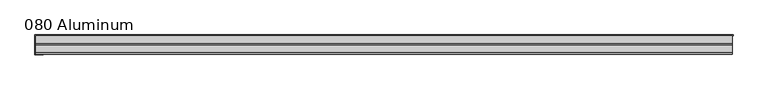
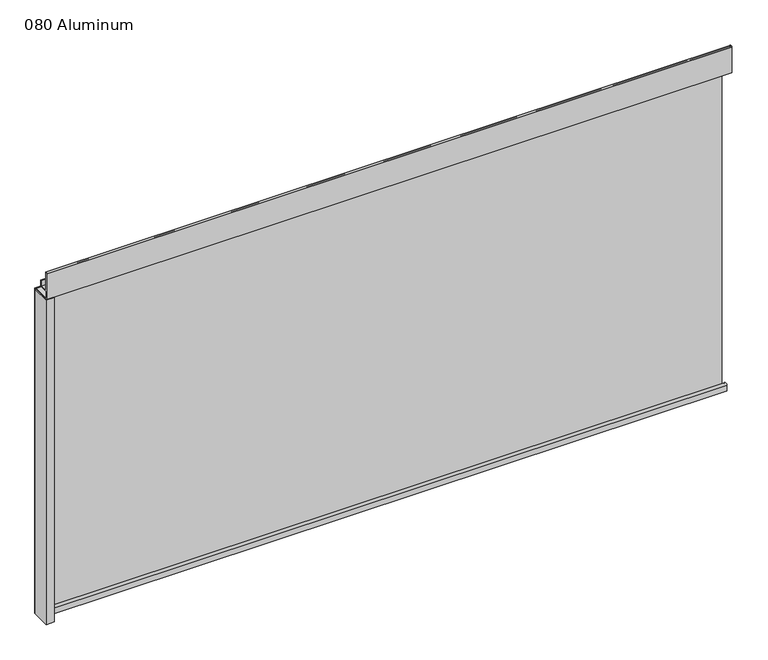
"""IFC4 building model written with IfcOpenShell, lengths in millimetres: plate geometry, 080 Aluminum."""

from ifc_helpers import new_model, si_unit, point, frame, frame_2d, origin, origin_with_axes, place, context, project, spatial, polyline, circle_curve, trimmed, segment, composite_curve, outline, extrude, source, transform, mapped, element, save


def plate_080_aluminum_0a952ecc(model_context):
    return source(origin(), model_context, "Body", "SweptSolid", [
        extrude(outline(polyline([(-607.2426921, 2.5660257), (-594.3521916, 2.5660257), (-594.3521916, 1.2699999), (-608.5126921, 1.2699999), (-608.5126921, 34.7980001), (-607.2426921, 34.7980001), (-607.2426921, 2.5660257)])), origin_with_axes(), (0.0, 0.0, 1.0), 608.33),
        extrude(outline(composite_curve([segment(trimmed(circle_curve(frame_2d((19.8514743, 13.124237)), 3.175), [point((16.6765477, 13.1458337))], [point((23.0264743, 13.124237))], False, "CARTESIAN"), True, "CONTINUOUS"), segment(polyline([(23.0264743, 13.124237), (23.0264743, 1.2693678), (34.7980002, 1.2693678), (34.7980002, 0.0), (21.7564743, 0.0), (21.7564743, 13.124237)]), True, "CONTINUOUS"), segment(trimmed(circle_curve(frame_2d((19.8514743, 13.124237)), 1.905), [point((21.7564743, 13.124237))], [point((17.9464915, 13.1323356))], True, "CARTESIAN"), True, "CONTINUOUS"), segment(polyline([(17.9464915, 13.1323356), (17.9464915, 2.786437), (16.6765477, 2.786437), (16.6765477, 13.1458337)]), True, "CONTINUOUS")], self_intersect=False)), frame((-607.2426921, 0.0, 0.0), z_axis=(1.0, 0.0, 0.0), x_axis=(0.0, 1.0, 0.0)), (0.0, 0.0, 1.0), 1214.4853843),
        extrude(outline(composite_curve([segment(trimmed(circle_curve(frame_2d((3.7084742, 656.7932001)), 1.6509999), [point((2.0574743, 656.7932001))], [point((5.3594742, 656.7932001))], False, "CARTESIAN"), True, "CONTINUOUS"), segment(polyline([(5.3594742, 656.7932001), (5.3594742, 623.57), (19.2164743, 623.57), (19.2164743, 633.6538), (20.4864742, 633.6538), (20.4864742, 622.3), (4.0894742, 622.3), (4.0894742, 656.7932001)]), True, "CONTINUOUS"), segment(trimmed(circle_curve(frame_2d((3.7084742, 656.7932001)), 0.3809999), [point((4.0894742, 656.7932001))], [point((3.3274743, 656.7932001))], True, "CARTESIAN"), True, "CONTINUOUS"), segment(polyline([(3.3274743, 656.7932001), (3.3274743, 609.6000001), (34.7980002, 609.6000001), (34.7980002, 608.33), (2.0574743, 608.33), (2.0574743, 656.7932001)]), True, "CONTINUOUS")], self_intersect=False)), frame((-607.2426921, 0.0, 0.0), z_axis=(1.0, 0.0, 0.0), x_axis=(0.0, 1.0, 0.0)), (0.0, 0.0, 1.0), 1214.4853843),
        extrude(outline(polyline([(-608.5126921, 36.068), (608.5126921, 36.068), (608.5126921, 34.7980001), (-608.5126921, 34.7980001), (-608.5126921, 36.068)])), origin_with_axes(), (0.0, 0.0, 1.0), 609.6),
    ])


if __name__ == "__main__":
    model = new_model("IFC4")
    model_context = context("Model", 3, world=origin())
    ifc_project = project(units=[si_unit("LENGTHUNIT", "METRE", prefix="MILLI")], contexts=[model_context])
    site = spatial("IfcSite", under=ifc_project)
    building = spatial("IfcBuilding", under=site)
    placement = place(None, origin())
    plate_080_aluminum_shape = plate_080_aluminum_0a952ecc(model_context)
    element("IfcPlate", 1, ObjectType="080 Aluminum", at=placement, inside=building, context=model_context, shape_type="MappedRepresentation", body=[
        mapped(plate_080_aluminum_shape, transform((0.0, 0.0, 0.0), x_axis=(1.0, 0.0, 0.0), y_axis=(0.0, 1.0, 0.0), z_axis=(0.0, 0.0, 1.0))),
    ])
    save(model, "model.ifc")
